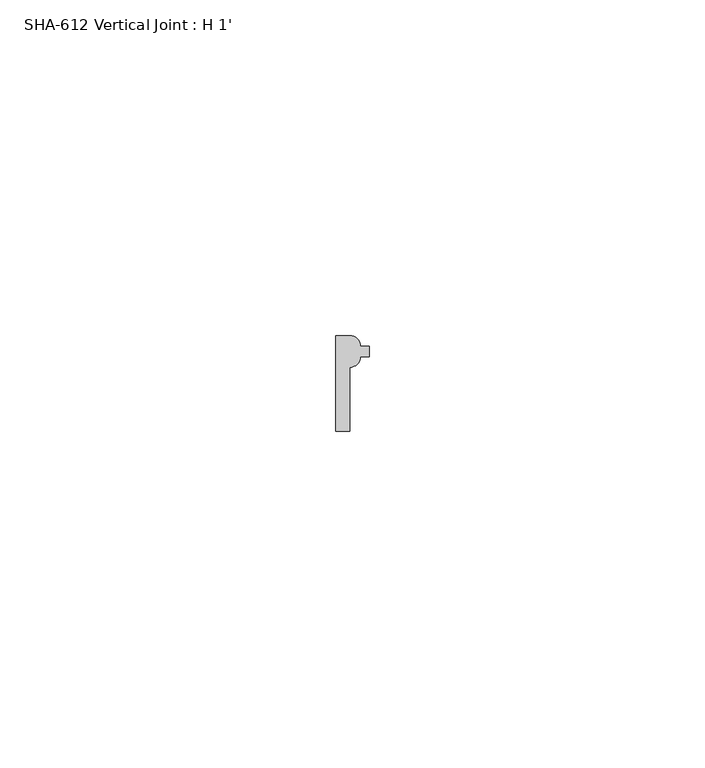
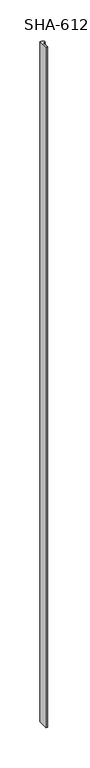
"""IFC4 building model written with IfcOpenShell, lengths in millimetres: proxy geometry, SHA-612 Vertical Joint : H 1'."""

from ifc_helpers import new_model, si_unit, point, frame_2d, origin, origin_with_axes, place, context, project, spatial, polyline, circle_curve, trimmed, segment, composite_curve, outline, extrude, source, transform, mapped, element, save


def sha_612_vertical_joint_h_1_4781f0b2(model_context):
    return source(origin(), model_context, "Body", "SweptSolid", [
        extrude(outline(composite_curve([segment(trimmed(circle_curve(frame_2d((2.1336, 11.0998)), 1.5748), [point((3.7084, 11.0998))], [point((2.1336, 9.525))], False, "CARTESIAN"), True, "CONTINUOUS"), segment(polyline([(2.1336, 9.525), (2.1336, 0.0), (0.0, 0.0), (0.0, 14.2494), (2.1336, 14.2494)]), True, "CONTINUOUS"), segment(trimmed(circle_curve(frame_2d((2.1336, 12.6746)), 1.5748), [point((2.1336, 14.2494))], [point((3.7084, 12.6746))], False, "CARTESIAN"), True, "CONTINUOUS"), segment(polyline([(3.7084, 12.6746), (5.03555, 12.6746), (5.03555, 11.8872), (5.03555, 11.0998), (3.7084, 11.0998)]), True, "CONTINUOUS")], self_intersect=False)), origin_with_axes(), (0.0, 0.0, 1.0), 1025.525),
    ])


if __name__ == "__main__":
    model = new_model("IFC4")
    model_context = context("Model", 3, world=origin())
    ifc_project = project(units=[si_unit("LENGTHUNIT", "METRE", prefix="MILLI")], contexts=[model_context])
    site = spatial("IfcSite", under=ifc_project)
    building = spatial("IfcBuilding", under=site)
    placement = place(None, origin())
    sha_612_vertical_joint_h_1_shape = sha_612_vertical_joint_h_1_4781f0b2(model_context)
    element("IfcBuildingElementProxy", 1, Name="SHA-612 Vertical Joint : H 1'", ObjectType="SHA-612 Vertical Joint : H 1'", at=placement, inside=building, context=model_context, shape_type="MappedRepresentation", body=[
        mapped(sha_612_vertical_joint_h_1_shape, transform((0.0, 0.0, 0.0), x_axis=(1.0, 0.0, 0.0), y_axis=(0.0, 1.0, 0.0), z_axis=(0.0, 0.0, 1.0))),
    ])
    save(model, "model.ifc")
